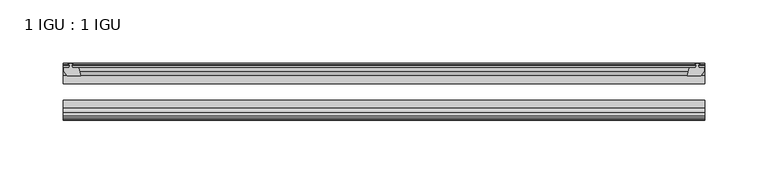
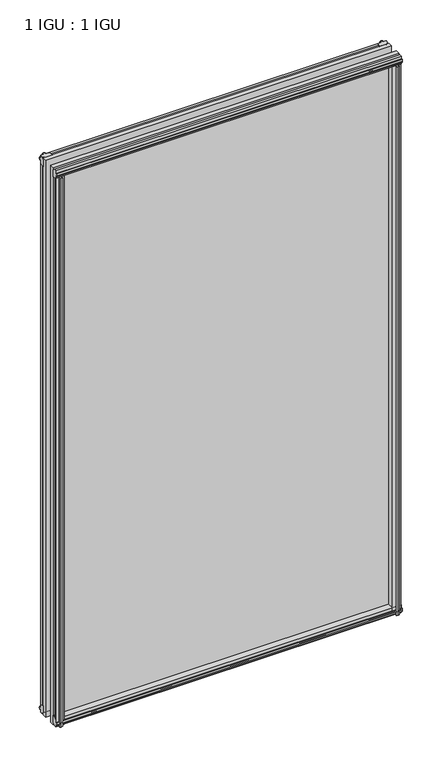
"""IFC4 building model written with IfcOpenShell, lengths in millimetres: plate geometry, 1 IGU : 1 IGU."""

from ifc_helpers import new_model, si_unit, frame, origin, place, context, project, spatial, polyline, outline, extrude, source, transform, mapped, element, save


def plate_1_igu_1_igu_bd98ab0b(model_context):
    return source(origin(), model_context, "Body", "SweptSolid", [
        extrude(outline(polyline([(245.528151, -10.4746158), (247.70568, -9.7670938), (249.8832091, -10.4746158), (249.8832091, -11.27583), (248.46768, -10.8158968), (248.84868, -13.1960938), (253.29368, -13.1960938), (253.29368, -16.1424938), (250.4593378, -19.5460938), (239.6379619, -19.5460938), (241.35568, -13.1960938), (246.56268, -13.1960938), (246.94368, -10.8158968), (245.528151, -11.27583), (245.528151, -10.4746158)])), frame((0.0, 0.0, -12.4587), z_axis=(0.0, 0.0, 1.0), x_axis=(1.0, 0.0, 0.0)), (0.0, 0.0, 1.0), 863.1174001),
        extrude(outline(polyline([(-247.70568, -9.7670937), (-245.528151, -10.4746158), (-245.528151, -11.27583), (-246.94368, -10.8158968), (-246.56268, -13.1960937), (-241.35568, -13.1960937), (-239.6379619, -19.5460937), (-250.4593378, -19.5460937), (-253.29368, -16.1424937), (-253.29368, -13.1960937), (-248.84868, -13.1960937), (-248.46768, -10.8158968), (-249.8832091, -11.27583), (-249.8832091, -10.4746158), (-247.70568, -9.7670937)])), frame((0.0, 0.0, -12.4587), z_axis=(0.0, 0.0, 1.0), x_axis=(1.0, 0.0, 0.0)), (0.0, 0.0, 1.0), 863.1174001),
        extrude(outline(polyline([(239.1205639, -44.9460938), (249.9419398, -44.9460938), (252.776282, -48.3496938), (252.776282, -51.2960938), (248.331282, -51.2960938), (247.950282, -53.6762907), (249.365811, -53.2163575), (249.365811, -54.0175717), (247.188282, -54.7250938), (245.0107529, -54.0175717), (245.0107529, -53.2163575), (246.426282, -53.6762907), (246.045282, -51.2960938), (240.838282, -51.2960938), (239.1205639, -44.9460938)])), frame((0.0, 0.0, -12.4587), z_axis=(0.0, 0.0, 1.0), x_axis=(1.0, 0.0, 0.0)), (0.0, 0.0, 1.0), 850.4174001),
        extrude(outline(polyline([(-239.1172619, -44.9460937), (-240.83498, -51.2960937), (-246.04198, -51.2960937), (-246.42298, -53.6762907), (-245.007451, -53.2163575), (-245.007451, -54.0175717), (-247.18498, -54.7250937), (-249.3625091, -54.0175717), (-249.3625091, -53.2163575), (-247.94698, -53.6762907), (-248.32798, -51.2960937), (-252.77298, -51.2960937), (-252.77298, -48.3496937), (-249.9386378, -44.9460937), (-239.1172619, -44.9460937)])), frame((0.0, 0.0, -12.4587), z_axis=(0.0, 0.0, 1.0), x_axis=(1.0, 0.0, 0.0)), (0.0, 0.0, 1.0), 850.4174001),
        extrude(outline(polyline([(-10.4746158, -4.6931709), (-9.7670937, -6.8707), (-10.4746158, -9.0482291), (-11.27583, -9.0482291), (-10.8158968, -7.6327), (-13.1960937, -8.0137), (-13.1960937, -12.4587), (-16.1424937, -12.4587), (-19.5460937, -9.6243578), (-19.5460937, 1.1970181), (-13.1960937, -0.5207), (-13.1960937, -5.7277), (-10.8158968, -6.1087), (-11.27583, -4.6931709), (-10.4746158, -4.6931709)])), frame((-253.53498, 0.0, 0.0), z_axis=(1.0, 0.0, 0.0), x_axis=(0.0, 1.0, 0.0)), (0.0, 0.0, 1.0), 507.06996),
        extrude(outline(polyline([(-44.9460937, 1.7177181), (-44.9460937, -9.1036578), (-48.3496937, -11.938), (-51.2960937, -11.938), (-51.2960937, -7.493), (-53.6762907, -7.112), (-53.2163575, -8.5275291), (-54.0175717, -8.5275291), (-54.7250937, -6.35), (-54.0175717, -4.1724709), (-53.2163575, -4.1724709), (-53.6762907, -5.588), (-51.2960937, -5.207), (-51.2960937, 0.0), (-44.9460937, 1.7177181)])), frame((-253.53498, 0.0, 0.0), z_axis=(1.0, 0.0, 0.0), x_axis=(0.0, 1.0, 0.0)), (0.0, 0.0, 1.0), 507.06996),
        extrude(outline(polyline([(-10.8158968, 845.8327001), (-11.27583, 847.2482291), (-10.4746158, 847.2482291), (-9.7670937, 845.0707001), (-10.4746158, 842.893171), (-11.27583, 842.893171), (-10.8158968, 844.3087001), (-13.1960937, 843.9277001), (-13.1960937, 838.7207001), (-19.5460938, 837.002982), (-19.5460938, 847.8243579), (-16.1424937, 850.6587001), (-13.1960937, 850.6587001), (-13.1960937, 846.2137001), (-10.8158968, 845.8327001)])), frame((-253.53498, 0.0, 0.0), z_axis=(1.0, 0.0, 0.0), x_axis=(0.0, 1.0, 0.0)), (0.0, 0.0, 1.0), 507.06996),
        extrude(outline(polyline([(-51.2960937, 850.1380001), (-48.3496937, 850.1380001), (-44.9460938, 847.3036579), (-44.9460938, 836.482282), (-51.2960937, 838.2000001), (-51.2960937, 843.4070001), (-53.6762907, 843.7880001), (-53.2163575, 842.372471), (-54.0175717, 842.372471), (-54.7250937, 844.5500001), (-54.0175717, 846.7275291), (-53.2163575, 846.7275291), (-53.6762907, 845.3120001), (-51.2960937, 845.6930001), (-51.2960937, 850.1380001)])), frame((-253.53498, 0.0, 0.0), z_axis=(1.0, 0.0, 0.0), x_axis=(0.0, 1.0, 0.0)), (0.0, 0.0, 1.0), 507.06996),
        extrude(outline(polyline([(-253.53498, -38.9186738), (253.53498, -38.9186738), (253.53498, -44.9460937), (-253.53498, -44.9460937), (-253.53498, -38.9186738)])), frame((0.0, 0.0, -12.7), z_axis=(0.0, 0.0, 1.0), x_axis=(1.0, 0.0, 0.0)), (0.0, 0.0, 1.0), 863.6000001),
        extrude(outline(polyline([(-253.53498, -19.5460937), (253.53498, -19.5460937), (253.53498, -25.8960938), (-253.53498, -25.8960938), (-253.53498, -19.5460937)])), frame((0.0, 0.0, -12.7), z_axis=(0.0, 0.0, 1.0), x_axis=(1.0, 0.0, 0.0)), (0.0, 0.0, 1.0), 863.6000001),
    ])


if __name__ == "__main__":
    model = new_model("IFC4")
    model_context = context("Model", 3, world=origin())
    ifc_project = project(units=[si_unit("LENGTHUNIT", "METRE", prefix="MILLI")], contexts=[model_context])
    site = spatial("IfcSite", under=ifc_project)
    building = spatial("IfcBuilding", under=site)
    placement = place(None, origin())
    plate_1_igu_1_igu_shape = plate_1_igu_1_igu_bd98ab0b(model_context)
    element("IfcPlate", 1, ObjectType="1 IGU : 1 IGU", at=placement, inside=building, context=model_context, shape_type="MappedRepresentation", body=[
        mapped(plate_1_igu_1_igu_shape, transform((0.0, 0.0, 0.0), x_axis=(1.0, 0.0, 0.0), y_axis=(0.0, 1.0, 0.0), z_axis=(0.0, 0.0, 1.0))),
    ])
    save(model, "model.ifc")
